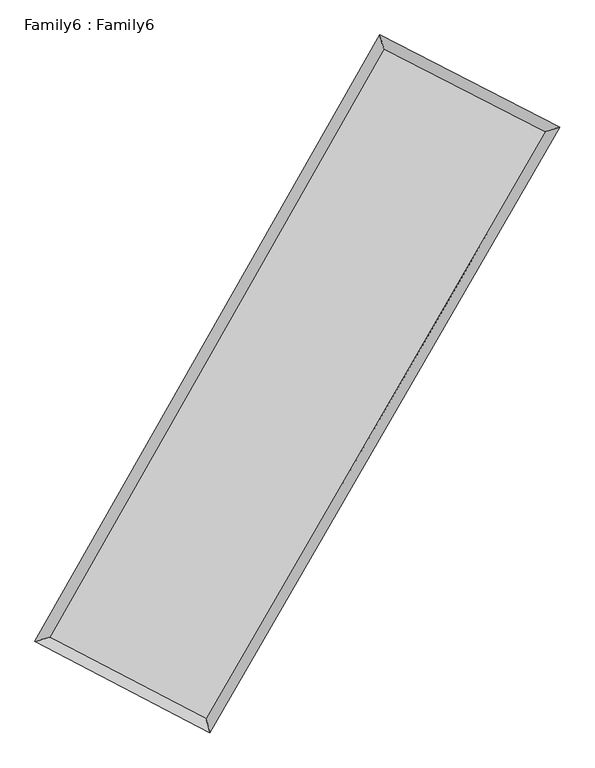
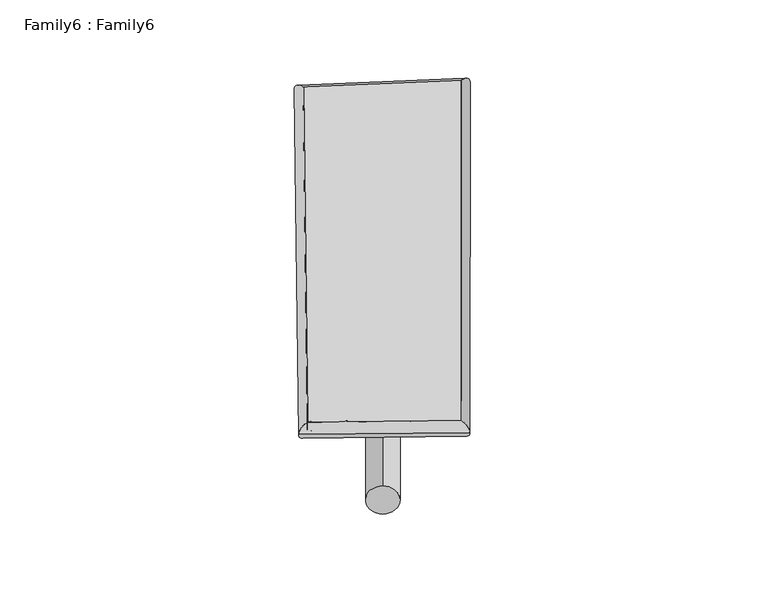
"""IFC4 building model written with IfcOpenShell, lengths in millimetres: plate geometry, Family6 : Family6."""

from ifc_helpers import new_model, si_unit, point, frame, origin, origin_2d, place, context, project, spatial, circle_curve, ellipse_curve, trimmed, segment, composite_curve, outline, extrude, source, transform, mapped, element, save
from ifc_brep_helpers import plane_surface, cylinder_surface, spline_surface, advanced_brep


def family6_family6_2c3ac123(model_context):
    return source(origin(), model_context, "Body", "SolidModel", [
        extrude(outline(composite_curve([segment(trimmed(circle_curve(origin_2d(), 76.2), [point((-75.4341514, -10.7763073))], [point((75.4341514, 10.7763073))], False, "CARTESIAN"), True, "CONTINUOUS"), segment(trimmed(circle_curve(origin_2d(), 76.2), [point((75.4341514, 10.7763073))], [point((-75.4341514, -10.7763073))], False, "CARTESIAN"), True, "CONTINUOUS")], self_intersect=False)), frame((9144.0, 9144.0, 0.0), z_axis=(0.6765516503739011, 0.6843071974034846, 0.2720322112510562), x_axis=(-0.6764285218296922, 0.723515114639635, -0.13773283465932698)), (0.0, 0.0, 1.0), 5680.3596638),
        extrude(outline(composite_curve([segment(trimmed(circle_curve(origin_2d(), 76.2), [point((-53.8815367, 53.8815367))], [point((53.8815367, -53.8815367))], False, "CARTESIAN"), True, "CONTINUOUS"), segment(trimmed(circle_curve(origin_2d(), 76.2), [point((53.8815367, -53.8815367))], [point((-53.8815367, 53.8815367))], False, "CARTESIAN"), True, "CONTINUOUS")], self_intersect=False)), frame((9144.0, 9144.0, 0.0), z_axis=(-0.6719069872748351, -0.6884737533179819, 0.2730291036565614), x_axis=(0.6422610718080483, -0.35804098238148097, 0.6777221927717)), (0.0, 0.0, 1.0), 5660.7088648),
        extrude(outline(composite_curve([segment(trimmed(circle_curve(origin_2d(), 76.2), [point((-53.8815367, -53.8815367))], [point((53.8815367, 53.8815367))], False, "CARTESIAN"), True, "CONTINUOUS"), segment(trimmed(circle_curve(origin_2d(), 76.2), [point((53.8815367, 53.8815367))], [point((-53.8815367, -53.8815367))], False, "CARTESIAN"), True, "CONTINUOUS")], self_intersect=False)), frame((9144.0, 9144.0, 0.0), z_axis=(0.24258533758583653, 0.9316600014024317, 0.2704847422225267), x_axis=(-0.8452710656972484, 0.339811543437752, -0.41236505725084277)), (0.0, 0.0, 1.0), 5547.2679617),
        extrude(outline(composite_curve([segment(trimmed(circle_curve(origin_2d(), 76.2), [point((-75.4341514, 10.7763073))], [point((75.4341514, -10.7763073))], False, "CARTESIAN"), True, "CONTINUOUS"), segment(trimmed(circle_curve(origin_2d(), 76.2), [point((75.4341514, -10.7763073))], [point((-75.4341514, 10.7763073))], False, "CARTESIAN"), True, "CONTINUOUS")], self_intersect=False)), frame((9144.0, 9144.0, 0.0), z_axis=(-0.24918112960188904, -0.9299382101540423, 0.27041392335791986), x_axis=(0.8862340072879564, -0.10636590341438472, 0.45086093079482087)), (0.0, 0.0, 1.0), 5546.5655387),
        advanced_brep(
        [(5130.0390044, 5184.6455229, 1542.4850694), (5129.9875474, 5184.5620813, 1549.8112031), (5551.0213173, 5308.85552, 1548.5914655), (10550.0381594, 14109.9436188, 1504.8191853), (10429.333583, 14514.3917351, 1496.083504), (5551.0727742, 5308.9389616, 1541.2653317), (12774.966811, 12968.6394672, 1544.7224873), (13199.1465995, 13093.5825363, 1545.7591128), (7702.8970379, 4188.5674276, 1500.67955), (7820.9040294, 3783.5061132, 1499.0575469)],
        [
            (0, 1, ellipse_curve(frame((5340.5301608, 5246.7505214, 1545.5382674), z_axis=(-0.2830954387574992, 0.9590501248478724, 0.00893479624722208), x_axis=(-0.9589488997150851, -0.28320176974672323, 0.014620716382989018)), 219.5792963, 152.4)),
            (1, 2, ellipse_curve(frame((5340.5301608, 5246.7505214, 1545.5382674), z_axis=(-0.2830954387574992, 0.9590501248478724, 0.00893479624722208), x_axis=(-0.9589488997150851, -0.28320176974672323, 0.014620716382989018)), 219.5792963, 152.4)),
            (2, 3),
            (3, 4, ellipse_curve(frame((10489.6858712, 14312.167677, 1500.4513447), z_axis=(-0.9581572513453205, -0.28612898982115825, -0.008054990894077312), x_axis=(0.28599442735908476, -0.9581192076054235, 0.01465508570786877)), 211.0865667, 152.4)),
            (4, 0),
            (2, 5, ellipse_curve(frame((5340.5301608, 5246.7505214, 1545.5382674), z_axis=(-0.2830954387574992, 0.9590501248478724, 0.00893479624722208), x_axis=(-0.9589488997150851, -0.28320176974672323, 0.014620716382989018)), 219.5792963, 152.4)),
            (5, 0, ellipse_curve(frame((5340.5301608, 5246.7505214, 1545.5382674), z_axis=(-0.2830954387574992, 0.9590501248478724, 0.00893479624722208), x_axis=(-0.9589488997150851, -0.28320176974672323, 0.014620716382989018)), 219.5792963, 152.4)),
            (4, 3, ellipse_curve(frame((10489.6858712, 14312.167677, 1500.4513447), z_axis=(-0.9581572513453205, -0.28612898982115825, -0.008054990894077312), x_axis=(0.28599442735908476, -0.9581192076054235, 0.01465508570786877)), 211.0865667, 152.4)),
            (3, 6),
            (6, 7, ellipse_curve(frame((12987.0567052, 13031.1110017, 1545.2408), z_axis=(-0.2825209471485801, 0.9592241403591916, -0.008423952423843426), x_axis=(-0.9591307063589453, -0.2826164490262323, -0.014008242544798863)), 221.1163382, 152.4)),
            (7, 4),
            (7, 6, ellipse_curve(frame((12987.0567052, 13031.1110017, 1545.2408), z_axis=(-0.2825209471485801, 0.9592241403591916, -0.008423952423843426), x_axis=(-0.9591307063589453, -0.2826164490262323, -0.014008242544798863)), 221.1163382, 152.4)),
            (6, 8),
            (8, 9, ellipse_curve(frame((7761.9005337, 3986.0367704, 1499.8685485), z_axis=(0.9600420492030057, 0.27972450679906213, -0.008571117670123835), x_axis=(-0.2795769309371909, 0.960002400293579, 0.015235849773086476)), 210.9645205, 152.4)),
            (9, 7),
            (9, 8, ellipse_curve(frame((7761.9005337, 3986.0367704, 1499.8685485), z_axis=(0.9600420492030057, 0.27972450679906213, -0.008571117670123835), x_axis=(-0.2795769309371909, 0.960002400293579, 0.015235849773086476)), 210.9645205, 152.4)),
            (8, 5),
            (1, 9),
        ],
        [
            cylinder_surface(frame((5340.5301608, 5246.7505214, 1545.5382674), z_axis=(-0.4938851822127798, -0.8695163742498657, 0.004324546452158342), x_axis=(-0.8693155160098407, 0.493649164016404, -0.0245160455712188)), 152.4),
            cylinder_surface(frame((10489.6858712, 14312.167677, 1500.4513447), z_axis=(-0.8896530257835586, 0.4563583156147744, -0.015955609778528872), x_axis=(0.45656544330093163, 0.8895893700504688, -0.01336969246593953)), 152.4),
            cylinder_surface(frame((12987.0567052, 13031.1110017, 1545.2408), z_axis=(0.5002092361413852, 0.8658936735139449, 0.004343529368853507), x_axis=(0.8659037846192269, -0.5002092361413852, -0.001164414424354738)), 152.4),
            cylinder_surface(frame((7761.9005337, 3986.0367704, 1499.8685485), z_axis=(0.8868525120001398, -0.46174974698402516, -0.016727017643058006), x_axis=(-0.4616293855810181, -0.8870085035296584, 0.01068761124704666)), 152.4),
        ],
        [
            (0, [[1, 2, 3, 4, 5]]),
            (0, [[6, 7, -5, 8, -3]]),
            (1, [[-4, 9, 10, 11]]),
            (1, [[-8, -11, 12, -9]]),
            (2, [[-10, 13, 14, 15]]),
            (2, [[-12, -15, 16, -13]]),
            (3, [[-14, 17, -6, -2, 18]]),
            (3, [[-16, -18, -1, -7, -17]]),
        ],
    ),
        extrude(outline(composite_curve([segment(trimmed(circle_curve(origin_2d(), 304.8), [point((0.0, 304.8))], [point((0.0, -304.8))], False, "CARTESIAN"), True, "CONTINUOUS"), segment(trimmed(circle_curve(origin_2d(), 304.8), [point((0.0, -304.8))], [point((0.0, 304.8))], False, "CARTESIAN"), True, "CONTINUOUS")], self_intersect=False)), frame((11770.3977934, 13680.9299517, -0.0214962), z_axis=(-0.5010011439187547, -0.8654466209855377, 4.100521802117141e-06), x_axis=(-0.8654466209945513, 0.5010011439187547, -1.101273062661603e-06)), (0.0, 0.0, 1.0), 10484.5979905),
        advanced_brep(
        [(5340.5301608, 5246.7505214, 1545.5382674), (7761.9005337, 3986.0367704, 1499.8685485), (7761.8906394, 3986.0394232, 1652.2685481), (5340.5202666, 5246.7531742, 1697.9382671), (12987.0567052, 13031.1110017, 1545.2408), (12987.046811, 13031.1136545, 1697.6407997), (10489.6858712, 14312.167677, 1500.4513447), (10489.6759769, 14312.1703297, 1652.8513443)],
        [
            (0, 1),
            (1, 2),
            (2, 3),
            (3, 0),
            (1, 4),
            (4, 5),
            (5, 2),
            (4, 6),
            (6, 7),
            (7, 5),
            (6, 0),
            (3, 7),
        ],
        [
            plane_surface(frame((6551.2153472, 4616.3936459, 1522.7034079), z_axis=(-0.46181457349313826, -0.8869764932047804, -1.454309325989861e-05), x_axis=(0.8868525120001397, -0.46174974698402516, -0.016727017643058013))),
            plane_surface(frame((10374.4786194, 8508.5738861, 1522.5546743), z_axis=(0.8659016988251841, -0.5002141978757946, 6.492407578696162e-05), x_axis=(0.5002092361413852, 0.8658936735139446, 0.004343529368853504))),
            plane_surface(frame((11738.3712882, 13671.6393394, 1522.8460723), z_axis=(0.45641621602611976, 0.8897663949309079, 1.4144052334787334e-05), x_axis=(-0.8896530257835585, 0.4563583156147747, -0.01595560977852888))),
            plane_surface(frame((7915.108016, 9779.4590992, 1522.994806), z_axis=(-0.8695246421788767, 0.493889554872644, -6.504919727442398e-05), x_axis=(-0.4938851822127799, -0.8695163742498656, 0.00432454645215834))),
            spline_surface(1, 1, [[(7761.8906394, 3986.0394232, 1652.2685481), (5340.5202666, 5246.7531742, 1697.9382671)], [(12987.046811, 13031.1136545, 1697.6407997), (10489.6759769, 14312.1703297, 1652.8513443)]], [2, 2], [2, 2], [0.0, 1.0], [0.0, 1.0]),
            spline_surface(1, 1, [[(10489.6858712, 14312.167677, 1500.4513447), (5340.5301608, 5246.7505214, 1545.5382674)], [(12987.0567052, 13031.1110017, 1545.2408), (7761.9005337, 3986.0367704, 1499.8685485)]], [2, 2], [2, 2], [0.0, 1.0], [0.0, 1.0]),
        ],
        [
            (0, [[1, 2, 3, 4]]),
            (1, [[5, 6, 7, -2]]),
            (2, [[8, 9, 10, -6]]),
            (3, [[11, -4, 12, -9]]),
            (4, [[-3, -7, -10, -12]]),
            (5, [[-11, -8, -5, -1]]),
        ],
    ),
    ])


if __name__ == "__main__":
    model = new_model("IFC4")
    model_context = context("Model", 3, world=origin())
    ifc_project = project(units=[si_unit("LENGTHUNIT", "METRE", prefix="MILLI")], contexts=[model_context])
    site = spatial("IfcSite", under=ifc_project)
    building = spatial("IfcBuilding", under=site)
    placement = place(None, origin())
    family6_family6_shape = family6_family6_2c3ac123(model_context)
    element("IfcPlate", 1, ObjectType="Family6 : Family6", at=placement, inside=building, context=model_context, shape_type="MappedRepresentation", body=[
        mapped(family6_family6_shape, transform((0.0, 0.0, 0.0), x_axis=(1.0, 0.0, 0.0), y_axis=(0.0, 1.0, 0.0), z_axis=(0.0, 0.0, 1.0))),
    ])
    save(model, "model.ifc")
